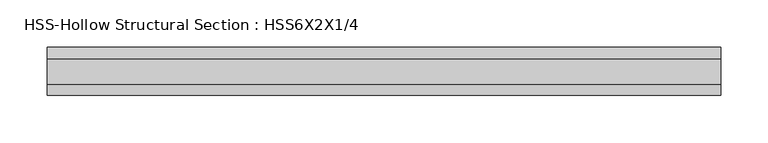
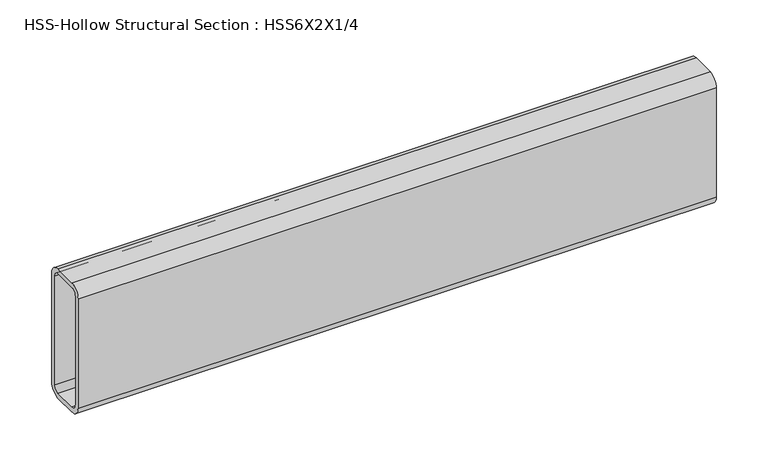
"""IFC4 building model written with IfcOpenShell, lengths in millimetres: beam geometry, HSS-Hollow Structural Section : HSS6X2X1/4."""

import ifcopenshell
import ifcopenshell.guid

model = None  # the IFC model being written
_history = None  # IfcOwnerHistory: only IFC2X3 demands one
_inside = {}  # id of a spatial element -> (the spatial element, [elements in it])
_under = {}  # id of a project, library or spatial element -> (it, [spatial elements below it])
_declared = {}  # id of a project -> (the project, [libraries it declares])
_typed = {}  # id of a type object -> (the type object, [elements of that type])
_made_of = {}  # id of a material, layer set ... -> (it, [elements and type objects made of it])


def new_model(schema):
    """Start an empty IFC model of exactly this schema.

    Asked for "IFC4X3", IfcOpenShell would pick the latest addendum, in which some entities
    have other attributes; the version numbers below select the first issue.
    IFC2X3 requires an IfcOwnerHistory on every rooted entity: one is made here for all.
    """
    global model, _history
    if schema == "IFC4X3":
        model = ifcopenshell.file(schema_version=(4, 3, 0, 0))
    else:
        model = ifcopenshell.file(schema=schema)
    _inside.clear()
    _under.clear()
    _declared.clear()
    _typed.clear()
    _made_of.clear()
    _history = None
    if model.schema == "IFC2X3":
        org = make("IfcOrganization", Name="unknown")
        user = make(
            "IfcPersonAndOrganization",
            ThePerson=make("IfcPerson", FamilyName="unknown"),
            TheOrganization=org,
        )
        app = make(
            "IfcApplication",
            ApplicationDeveloper=org,
            Version="unknown",
            ApplicationFullName="unknown",
            ApplicationIdentifier="unknown",
        )
        _history = make(
            "IfcOwnerHistory",
            OwningUser=user,
            OwningApplication=app,
            ChangeAction="ADDED",
            CreationDate=0,
        )
    return model


def make(cls, **values):
    """One entity of the class cls with the attributes given. An attribute that is None is left unset."""
    return model.create_entity(
        cls, **{name: value for name, value in values.items() if value is not None}
    )


def rooted(cls, **values):
    """An entity with a GlobalId (a new one), such as an element, a storey or a relation."""
    return make(cls, GlobalId=ifcopenshell.guid.new(), OwnerHistory=_history, **values)


def si_unit(unit_type, name, prefix=None):
    """IfcSIUnit, for example si_unit("LENGTHUNIT", "METRE", prefix="MILLI")."""
    return make("IfcSIUnit", UnitType=unit_type, Prefix=prefix, Name=name)


def assignment(units):
    """IfcUnitAssignment: the units of a project."""
    return None if units is None else make("IfcUnitAssignment", Units=units)


def point(xyz):
    """IfcCartesianPoint."""
    return None if xyz is None else make("IfcCartesianPoint", Coordinates=xyz)


def direction(xyz):
    """IfcDirection."""
    return None if xyz is None else make("IfcDirection", DirectionRatios=xyz)


def frame(location, z_axis=None, x_axis=None):
    """IfcAxis2Placement3D, a coordinate frame: its origin and axes. An axis left out is left unset."""
    return make(
        "IfcAxis2Placement3D",
        Location=point(location),
        Axis=direction(z_axis),
        RefDirection=direction(x_axis),
    )


def frame_2d(location, x_axis=None):
    """IfcAxis2Placement2D, a coordinate frame in the plane: its origin and x axis."""
    return make(
        "IfcAxis2Placement2D", Location=point(location), RefDirection=direction(x_axis)
    )


def origin():
    """The frame at (0, 0, 0) with its axes left unset."""
    return frame((0.0, 0.0, 0.0))


def place(relative_to, where):
    """IfcLocalPlacement: puts the frame where relative to a parent placement (None: the world)."""
    return make(
        "IfcLocalPlacement", PlacementRelTo=relative_to, RelativePlacement=where
    )


def context(
    kind, dimensions, precision=None, world=None, true_north=None, identifier=None
):
    """IfcGeometricRepresentationContext, for example the 3D "Model" context."""
    return make(
        "IfcGeometricRepresentationContext",
        ContextIdentifier=identifier,
        ContextType=kind,
        CoordinateSpaceDimension=dimensions,
        Precision=precision,
        WorldCoordinateSystem=world,
        TrueNorth=true_north,
    )


def project(units=None, contexts=None):
    """IfcProject with its units and contexts."""
    return rooted(
        "IfcProject",
        Name="project",
        RepresentationContexts=contexts,
        UnitsInContext=assignment(units),
    )


def spatial(cls, under=None, at=None, **own):
    """A site, building, storey or space (cls), placed at a placement, below another one or the project."""
    s = rooted(cls, ObjectPlacement=at, **own)
    if under is not None:
        _under.setdefault(under.id(), (under, []))[1].append(s)
    return s


def polyline(points):
    """IfcPolyline through the points."""
    return make("IfcPolyline", Points=[point(p) for p in points])


def circle_curve(where, radius):
    """IfcCircle in the frame where."""
    return make("IfcCircle", Position=where, Radius=radius)


def trimmed(basis, trim1, trim2, sense, master):
    """IfcTrimmedCurve: the piece of a basis curve between two trims."""
    return make(
        "IfcTrimmedCurve",
        BasisCurve=basis,
        Trim1=trim1,
        Trim2=trim2,
        SenseAgreement=sense,
        MasterRepresentation=master,
    )


def segment(curve, same_sense, transition):
    """IfcCompositeCurveSegment."""
    return make(
        "IfcCompositeCurveSegment",
        Transition=transition,
        SameSense=same_sense,
        ParentCurve=curve,
    )


def composite_curve(segments, self_intersect=None):
    """IfcCompositeCurve: segments joined end to end."""
    return make("IfcCompositeCurve", Segments=segments, SelfIntersect=self_intersect)


def outline(outer, holes=None, kind="AREA"):
    """IfcArbitraryClosedProfileDef: a profile drawn as a closed curve; with holes, ...WithVoids."""
    if holes is None:
        return make("IfcArbitraryClosedProfileDef", ProfileType=kind, OuterCurve=outer)
    return make(
        "IfcArbitraryProfileDefWithVoids",
        ProfileType=kind,
        OuterCurve=outer,
        InnerCurves=holes,
    )


def extrude(swept, where, along, depth):
    """IfcExtrudedAreaSolid: the profile swept, set in the frame where, extruded along a direction by depth."""
    return make(
        "IfcExtrudedAreaSolid",
        SweptArea=swept,
        Position=where,
        ExtrudedDirection=direction(along),
        Depth=depth,
    )


def shape(context_of_items, identifier, shape_type, items):
    """IfcShapeRepresentation: the items that make up one representation, for example the "Body"."""
    return make(
        "IfcShapeRepresentation",
        ContextOfItems=context_of_items,
        RepresentationIdentifier=identifier,
        RepresentationType=shape_type,
        Items=items,
    )


def source(mapping_origin, context_of_items, identifier, shape_type, items):
    """IfcRepresentationMap: a shape defined once, which mapped items show again and again."""
    return make(
        "IfcRepresentationMap",
        MappingOrigin=mapping_origin,
        MappedRepresentation=shape(context_of_items, identifier, shape_type, items),
    )


def transform(
    local_origin,
    x_axis=None,
    y_axis=None,
    z_axis=None,
    scale=None,
    scale2=None,
    scale3=None,
    uniform=True,
):
    """IfcCartesianTransformationOperator3D, or its non-uniform kind. x_axis, y_axis, z_axis: its Axis1, 2, 3."""
    if uniform:
        return make(
            "IfcCartesianTransformationOperator3D",
            Axis1=direction(x_axis),
            Axis2=direction(y_axis),
            LocalOrigin=point(local_origin),
            Scale=scale,
            Axis3=direction(z_axis),
        )
    return make(
        "IfcCartesianTransformationOperator3DnonUniform",
        Axis1=direction(x_axis),
        Axis2=direction(y_axis),
        LocalOrigin=point(local_origin),
        Scale=scale,
        Axis3=direction(z_axis),
        Scale2=scale2,
        Scale3=scale3,
    )


def mapped(mapping_source, mapping_target):
    """IfcMappedItem: shows the shape of a source again, moved by a transform."""
    return make(
        "IfcMappedItem", MappingSource=mapping_source, MappingTarget=mapping_target
    )


def made_of(thing, what):
    """Note that an element or type object is made of a material, layer set ...; save() writes the relation."""
    if what is not None:
        _made_of.setdefault(what.id(), (what, []))[1].append(thing)
    return thing


def element(
    cls,
    number,
    at=None,
    inside=None,
    cuts=None,
    type_object=None,
    material=None,
    context=None,
    identifier="Body",
    shape_type=None,
    held_by="IfcProductDefinitionShape",
    body=None,
    shapes=None,
    **own,
):
    """One element of the class cls, such as IfcWall. Its Tag is "e" and its number.

    at: its placement. inside: the storey or other place that contains it. cuts: it is an
    opening in that element (IfcRelVoidsElement). A single representation is given by context,
    identifier, shape_type and body (its items); several are given by shapes. held_by: the class
    of the entity that holds the representations. save() writes the other relations.
    """
    e = rooted(cls, Tag="e%d" % number, ObjectPlacement=at, **own)
    if body is not None:
        shapes = [shape(context, identifier, shape_type, body)]
    if shapes is not None:
        e.Representation = make(held_by, Representations=shapes)
    if inside is not None:
        _inside.setdefault(inside.id(), (inside, []))[1].append(e)
    if cuts is not None:
        rooted(
            "IfcRelVoidsElement", RelatingBuildingElement=cuts, RelatedOpeningElement=e
        )
    if type_object is not None:
        _typed.setdefault(type_object.id(), (type_object, []))[1].append(e)
    return made_of(e, material)


def aggregate(whole, parts):
    """IfcRelAggregates: a whole, such as a stair, and the parts it consists of."""
    return rooted("IfcRelAggregates", RelatingObject=whole, RelatedObjects=parts)


def save(model, path):
    """Write the relations noted so far, then the file.

    IfcRelAggregates (storeys below a building ...), IfcRelContainedInSpatialStructure (elements
    in a storey), IfcRelDefinesByType, IfcRelAssociatesMaterial and IfcRelDeclares: one each for
    every whole, place, type object, material and project.
    """
    for whole, parts in _under.values():
        aggregate(whole, parts)
    for where, things in _inside.values():
        rooted(
            "IfcRelContainedInSpatialStructure",
            RelatedElements=things,
            RelatingStructure=where,
        )
    for kind, things in _typed.values():
        rooted("IfcRelDefinesByType", RelatedObjects=things, RelatingType=kind)
    for what, things in _made_of.values():
        rooted("IfcRelAssociatesMaterial", RelatedObjects=things, RelatingMaterial=what)
    for by, libraries in _declared.values():
        rooted("IfcRelDeclares", RelatingContext=by, RelatedDefinitions=libraries)
    model.write(path)


def hss_hollow_structural_section_hss6x2x1_4_9a8bf086(model_context):
    return source(origin(), model_context, "Body", "SweptSolid", [
        extrude(outline(composite_curve([segment(polyline([(25.4, 64.3636), (25.4, -64.3636)]), True, "CONTINUOUS"), segment(trimmed(circle_curve(frame_2d((13.5636, -64.3636)), 11.8364), [point((25.4, -64.3636))], [point((13.5636, -76.2))], False, "CARTESIAN"), True, "CONTINUOUS"), segment(polyline([(13.5636, -76.2), (-13.5636, -76.2)]), True, "CONTINUOUS"), segment(trimmed(circle_curve(frame_2d((-13.5636, -64.3636)), 11.8364), [point((-13.5636, -76.2))], [point((-25.4, -64.3636))], False, "CARTESIAN"), True, "CONTINUOUS"), segment(polyline([(-25.4, -64.3636), (-25.4, 64.3636)]), True, "CONTINUOUS"), segment(trimmed(circle_curve(frame_2d((-13.5636, 64.3636)), 11.8364), [point((-25.4, 64.3636))], [point((-13.5636, 76.2))], False, "CARTESIAN"), True, "CONTINUOUS"), segment(polyline([(-13.5636, 76.2), (13.5636, 76.2)]), True, "CONTINUOUS"), segment(trimmed(circle_curve(frame_2d((13.5636, 64.3636)), 11.8364), [point((13.5636, 76.2))], [point((25.4, 64.3636))], False, "CARTESIAN"), True, "CONTINUOUS")], self_intersect=False), holes=[composite_curve([segment(trimmed(circle_curve(frame_2d((-13.5636, 64.3636)), 5.9182), [point((-13.5636, 70.2818))], [point((-19.4818, 64.3636))], True, "CARTESIAN"), True, "CONTINUOUS"), segment(polyline([(-19.4818, 64.3636), (-19.4818, -64.3636)]), True, "CONTINUOUS"), segment(trimmed(circle_curve(frame_2d((-13.5636, -64.3636)), 5.9182), [point((-19.4818, -64.3636))], [point((-13.5636, -70.2818))], True, "CARTESIAN"), True, "CONTINUOUS"), segment(polyline([(-13.5636, -70.2818), (13.5636, -70.2818)]), True, "CONTINUOUS"), segment(trimmed(circle_curve(frame_2d((13.5636, -64.3636)), 5.9182), [point((13.5636, -70.2818))], [point((19.4818, -64.3636))], True, "CARTESIAN"), True, "CONTINUOUS"), segment(polyline([(19.4818, -64.3636), (19.4818, 64.3636)]), True, "CONTINUOUS"), segment(trimmed(circle_curve(frame_2d((13.5636, 64.3636)), 5.9182), [point((19.4818, 64.3636))], [point((13.5636, 70.2818))], True, "CARTESIAN"), True, "CONTINUOUS"), segment(polyline([(13.5636, 70.2818), (-13.5636, 70.2818)]), True, "CONTINUOUS")], self_intersect=False)]), frame((-355.6, 0.0, 0.0), z_axis=(1.0, 0.0, 0.0), x_axis=(0.0, 1.0, 0.0)), (0.0, 0.0, 1.0), 711.2000006),
    ])


if __name__ == "__main__":
    model = new_model("IFC4")
    model_context = context("Model", 3, world=origin())
    ifc_project = project(units=[si_unit("LENGTHUNIT", "METRE", prefix="MILLI")], contexts=[model_context])
    site = spatial("IfcSite", under=ifc_project)
    building = spatial("IfcBuilding", under=site)
    placement = place(None, origin())
    hss_hollow_structural_section_hss6x2x1_4_shape = hss_hollow_structural_section_hss6x2x1_4_9a8bf086(model_context)
    element("IfcBeam", 1, ObjectType="HSS-Hollow Structural Section : HSS6X2X1/4", at=placement, inside=building, context=model_context, shape_type="MappedRepresentation", body=[
        mapped(hss_hollow_structural_section_hss6x2x1_4_shape, transform((0.0, 0.0, 0.0), x_axis=(1.0, 0.0, 0.0), y_axis=(0.0, 1.0, 0.0), z_axis=(0.0, 0.0, 1.0))),
    ])
    save(model, "model.ifc")
